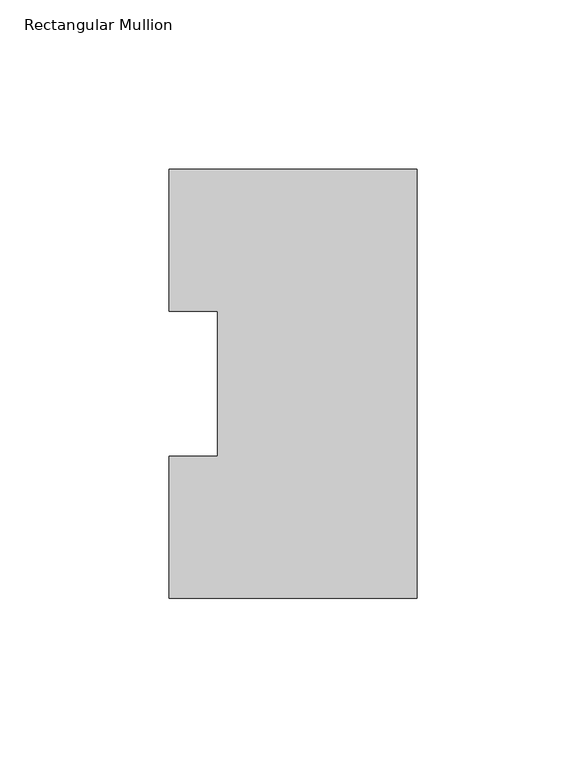
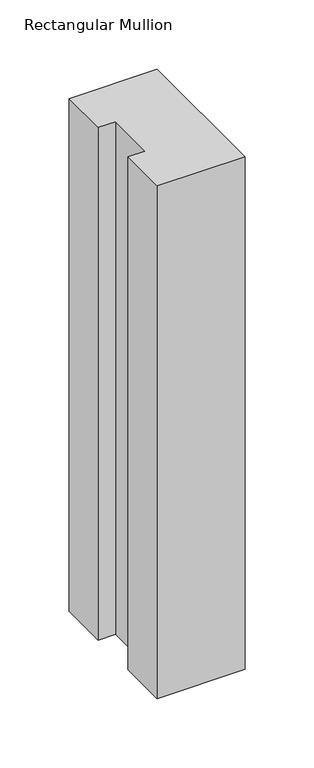
"""IFC4 building model written with IfcOpenShell, lengths in millimetres: member geometry, Rectangular Mullion."""

from ifc_helpers import new_model, si_unit, frame, origin, place, context, project, spatial, polyline, outline, extrude, source, transform, mapped, element, save


def rectangular_mullion_1a80c5bf(model_context):
    return source(origin(), model_context, "Body", "SweptSolid", [
        extrude(outline(polyline([(0.0, 126.4546937), (0.0, -0.0373063), (-73.025, -0.0373063), (-73.025, 41.7837937), (-58.7375, 41.7837937), (-58.7375, 84.6335938), (-73.025, 84.6335938), (-73.025, 126.4546937), (0.0, 126.4546937)])), frame((0.0, 0.0, -450.85), z_axis=(0.0, 0.0, 1.0), x_axis=(1.0, 0.0, 0.0)), (0.0, 0.0, 1.0), 450.85),
    ])


if __name__ == "__main__":
    model = new_model("IFC4")
    model_context = context("Model", 3, world=origin())
    ifc_project = project(units=[si_unit("LENGTHUNIT", "METRE", prefix="MILLI")], contexts=[model_context])
    site = spatial("IfcSite", under=ifc_project)
    building = spatial("IfcBuilding", under=site)
    placement = place(None, origin())
    rectangular_mullion_shape = rectangular_mullion_1a80c5bf(model_context)
    element("IfcMember", 1, ObjectType="Rectangular Mullion", at=placement, inside=building, context=model_context, shape_type="MappedRepresentation", body=[
        mapped(rectangular_mullion_shape, transform((0.0, 0.0, 0.0), x_axis=(1.0, 0.0, 0.0), y_axis=(0.0, 1.0, 0.0), z_axis=(0.0, 0.0, 1.0))),
    ])
    save(model, "model.ifc")
